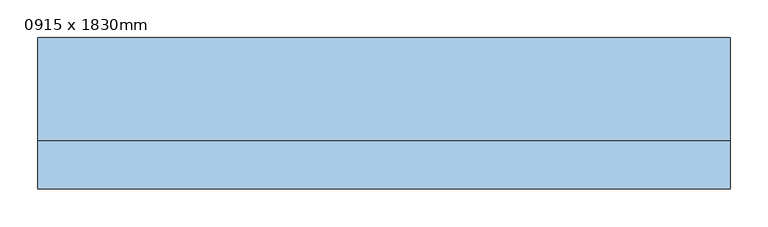
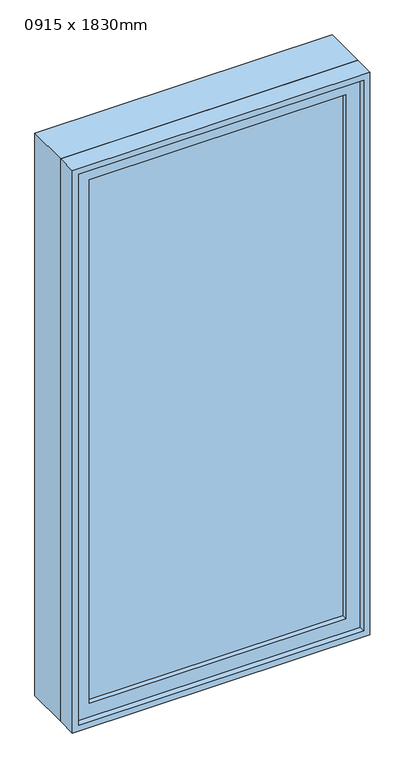
"""IFC4 building model written with IfcOpenShell, lengths in millimetres: window geometry, 0915 x 1830mm."""

from ifc_helpers import new_model, si_unit, frame, origin, place, context, project, spatial, polyline, outline, extrude, source, transform, mapped, element, save


def window_0915_x_1830mm_ed32443c(model_context):
    return source(origin(), model_context, "Body", "SweptSolid", [
        extrude(outline(polyline([(-394.5, -78.0), (-394.5, -66.0), (394.5, -66.0), (394.5, -78.0), (-394.5, -78.0)])), frame((0.0, 0.0, 368.0), z_axis=(0.0, 0.0, 1.0), x_axis=(1.0, 0.0, 0.0)), (0.0, 0.0, 1.0), 1704.0),
        extrude(outline(polyline([(2116.0, -438.5), (324.0, -438.5), (324.0, 438.5), (2116.0, 438.5), (2116.0, -438.5)]), holes=[polyline([(2072.0, -394.5), (2072.0, 394.5), (368.0, 394.5), (368.0, -394.5), (2072.0, -394.5)])]), frame((0.0, -94.0, 0.0), z_axis=(0.0, 1.0, 0.0), x_axis=(0.0, 0.0, 1.0)), (0.0, 0.0, 1.0), 44.0),
        extrude(outline(polyline([(2135.0, -457.5), (305.0, -457.5), (305.0, 457.5), (2135.0, 457.5), (2135.0, -457.5)]), holes=[polyline([(2116.0, -438.5), (2116.0, 438.5), (324.0, 438.5), (324.0, -438.5), (2116.0, -438.5)])]), frame((0.0, -113.0, 0.0), z_axis=(0.0, 1.0, 0.0), x_axis=(0.0, 0.0, 1.0)), (0.0, 0.0, 1.0), 63.0),
        extrude(outline(polyline([(2135.0, -457.5), (305.0, -457.5), (305.0, 457.5), (2135.0, 457.5), (2135.0, -457.5)]), holes=[polyline([(2103.0, -425.5), (2103.0, 425.5), (337.0, 425.5), (337.0, -425.5), (2103.0, -425.5)])]), frame((0.0, -50.0, 0.0), z_axis=(0.0, 1.0, 0.0), x_axis=(0.0, 0.0, 1.0)), (0.0, 0.0, 1.0), 137.0),
    ])


if __name__ == "__main__":
    model = new_model("IFC4")
    model_context = context("Model", 3, world=origin())
    ifc_project = project(units=[si_unit("LENGTHUNIT", "METRE", prefix="MILLI")], contexts=[model_context])
    site = spatial("IfcSite", under=ifc_project)
    building = spatial("IfcBuilding", under=site)
    placement = place(None, origin())
    window_0915_x_1830mm_shape = window_0915_x_1830mm_ed32443c(model_context)
    element("IfcWindow", 1, ObjectType="0915 x 1830mm", at=placement, inside=building, context=model_context, shape_type="MappedRepresentation", body=[
        mapped(window_0915_x_1830mm_shape, transform((0.0, 0.0, 0.0), x_axis=(1.0, 0.0, 0.0), y_axis=(0.0, 1.0, 0.0), z_axis=(0.0, 0.0, 1.0))),
    ])
    save(model, "model.ifc")
